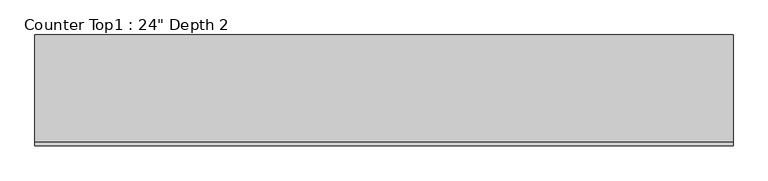
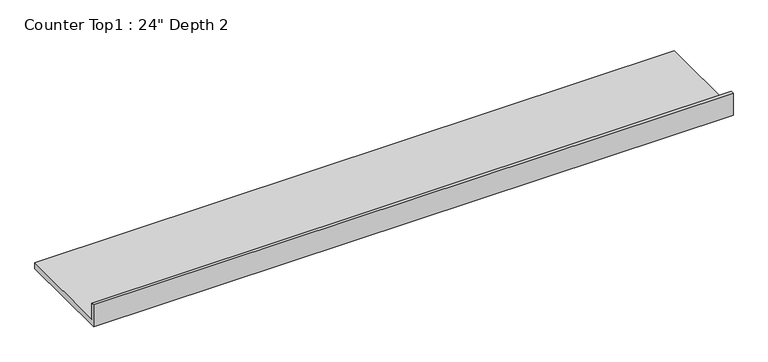
"""IFC4 building model written with IfcOpenShell, lengths in millimetres: furniture geometry."""

import ifcopenshell
import ifcopenshell.guid

model = None  # the IFC model being written
_history = None  # IfcOwnerHistory: only IFC2X3 demands one
_inside = {}  # id of a spatial element -> (the spatial element, [elements in it])
_under = {}  # id of a project, library or spatial element -> (it, [spatial elements below it])
_declared = {}  # id of a project -> (the project, [libraries it declares])
_typed = {}  # id of a type object -> (the type object, [elements of that type])
_made_of = {}  # id of a material, layer set ... -> (it, [elements and type objects made of it])


def new_model(schema):
    """Start an empty IFC model of exactly this schema.

    Asked for "IFC4X3", IfcOpenShell would pick the latest addendum, in which some entities
    have other attributes; the version numbers below select the first issue.
    IFC2X3 requires an IfcOwnerHistory on every rooted entity: one is made here for all.
    """
    global model, _history
    if schema == "IFC4X3":
        model = ifcopenshell.file(schema_version=(4, 3, 0, 0))
    else:
        model = ifcopenshell.file(schema=schema)
    _inside.clear()
    _under.clear()
    _declared.clear()
    _typed.clear()
    _made_of.clear()
    _history = None
    if model.schema == "IFC2X3":
        org = make("IfcOrganization", Name="unknown")
        user = make(
            "IfcPersonAndOrganization",
            ThePerson=make("IfcPerson", FamilyName="unknown"),
            TheOrganization=org,
        )
        app = make(
            "IfcApplication",
            ApplicationDeveloper=org,
            Version="unknown",
            ApplicationFullName="unknown",
            ApplicationIdentifier="unknown",
        )
        _history = make(
            "IfcOwnerHistory",
            OwningUser=user,
            OwningApplication=app,
            ChangeAction="ADDED",
            CreationDate=0,
        )
    return model


def make(cls, **values):
    """One entity of the class cls with the attributes given. An attribute that is None is left unset."""
    return model.create_entity(
        cls, **{name: value for name, value in values.items() if value is not None}
    )


def rooted(cls, **values):
    """An entity with a GlobalId (a new one), such as an element, a storey or a relation."""
    return make(cls, GlobalId=ifcopenshell.guid.new(), OwnerHistory=_history, **values)


def si_unit(unit_type, name, prefix=None):
    """IfcSIUnit, for example si_unit("LENGTHUNIT", "METRE", prefix="MILLI")."""
    return make("IfcSIUnit", UnitType=unit_type, Prefix=prefix, Name=name)


def assignment(units):
    """IfcUnitAssignment: the units of a project."""
    return None if units is None else make("IfcUnitAssignment", Units=units)


def point(xyz):
    """IfcCartesianPoint."""
    return None if xyz is None else make("IfcCartesianPoint", Coordinates=xyz)


def direction(xyz):
    """IfcDirection."""
    return None if xyz is None else make("IfcDirection", DirectionRatios=xyz)


def frame(location, z_axis=None, x_axis=None):
    """IfcAxis2Placement3D, a coordinate frame: its origin and axes. An axis left out is left unset."""
    return make(
        "IfcAxis2Placement3D",
        Location=point(location),
        Axis=direction(z_axis),
        RefDirection=direction(x_axis),
    )


def origin():
    """The frame at (0, 0, 0) with its axes left unset."""
    return frame((0.0, 0.0, 0.0))


def place(relative_to, where):
    """IfcLocalPlacement: puts the frame where relative to a parent placement (None: the world)."""
    return make(
        "IfcLocalPlacement", PlacementRelTo=relative_to, RelativePlacement=where
    )


def context(
    kind, dimensions, precision=None, world=None, true_north=None, identifier=None
):
    """IfcGeometricRepresentationContext, for example the 3D "Model" context."""
    return make(
        "IfcGeometricRepresentationContext",
        ContextIdentifier=identifier,
        ContextType=kind,
        CoordinateSpaceDimension=dimensions,
        Precision=precision,
        WorldCoordinateSystem=world,
        TrueNorth=true_north,
    )


def project(units=None, contexts=None):
    """IfcProject with its units and contexts."""
    return rooted(
        "IfcProject",
        Name="project",
        RepresentationContexts=contexts,
        UnitsInContext=assignment(units),
    )


def spatial(cls, under=None, at=None, **own):
    """A site, building, storey or space (cls), placed at a placement, below another one or the project."""
    s = rooted(cls, ObjectPlacement=at, **own)
    if under is not None:
        _under.setdefault(under.id(), (under, []))[1].append(s)
    return s


def polyline(points):
    """IfcPolyline through the points."""
    return make("IfcPolyline", Points=[point(p) for p in points])


def outline(outer, holes=None, kind="AREA"):
    """IfcArbitraryClosedProfileDef: a profile drawn as a closed curve; with holes, ...WithVoids."""
    if holes is None:
        return make("IfcArbitraryClosedProfileDef", ProfileType=kind, OuterCurve=outer)
    return make(
        "IfcArbitraryProfileDefWithVoids",
        ProfileType=kind,
        OuterCurve=outer,
        InnerCurves=holes,
    )


def extrude(swept, where, along, depth):
    """IfcExtrudedAreaSolid: the profile swept, set in the frame where, extruded along a direction by depth."""
    return make(
        "IfcExtrudedAreaSolid",
        SweptArea=swept,
        Position=where,
        ExtrudedDirection=direction(along),
        Depth=depth,
    )


def shape(context_of_items, identifier, shape_type, items):
    """IfcShapeRepresentation: the items that make up one representation, for example the "Body"."""
    return make(
        "IfcShapeRepresentation",
        ContextOfItems=context_of_items,
        RepresentationIdentifier=identifier,
        RepresentationType=shape_type,
        Items=items,
    )


def source(mapping_origin, context_of_items, identifier, shape_type, items):
    """IfcRepresentationMap: a shape defined once, which mapped items show again and again."""
    return make(
        "IfcRepresentationMap",
        MappingOrigin=mapping_origin,
        MappedRepresentation=shape(context_of_items, identifier, shape_type, items),
    )


def transform(
    local_origin,
    x_axis=None,
    y_axis=None,
    z_axis=None,
    scale=None,
    scale2=None,
    scale3=None,
    uniform=True,
):
    """IfcCartesianTransformationOperator3D, or its non-uniform kind. x_axis, y_axis, z_axis: its Axis1, 2, 3."""
    if uniform:
        return make(
            "IfcCartesianTransformationOperator3D",
            Axis1=direction(x_axis),
            Axis2=direction(y_axis),
            LocalOrigin=point(local_origin),
            Scale=scale,
            Axis3=direction(z_axis),
        )
    return make(
        "IfcCartesianTransformationOperator3DnonUniform",
        Axis1=direction(x_axis),
        Axis2=direction(y_axis),
        LocalOrigin=point(local_origin),
        Scale=scale,
        Axis3=direction(z_axis),
        Scale2=scale2,
        Scale3=scale3,
    )


def mapped(mapping_source, mapping_target):
    """IfcMappedItem: shows the shape of a source again, moved by a transform."""
    return make(
        "IfcMappedItem", MappingSource=mapping_source, MappingTarget=mapping_target
    )


def made_of(thing, what):
    """Note that an element or type object is made of a material, layer set ...; save() writes the relation."""
    if what is not None:
        _made_of.setdefault(what.id(), (what, []))[1].append(thing)
    return thing


def element(
    cls,
    number,
    at=None,
    inside=None,
    cuts=None,
    type_object=None,
    material=None,
    context=None,
    identifier="Body",
    shape_type=None,
    held_by="IfcProductDefinitionShape",
    body=None,
    shapes=None,
    **own,
):
    """One element of the class cls, such as IfcWall. Its Tag is "e" and its number.

    at: its placement. inside: the storey or other place that contains it. cuts: it is an
    opening in that element (IfcRelVoidsElement). A single representation is given by context,
    identifier, shape_type and body (its items); several are given by shapes. held_by: the class
    of the entity that holds the representations. save() writes the other relations.
    """
    e = rooted(cls, Tag="e%d" % number, ObjectPlacement=at, **own)
    if body is not None:
        shapes = [shape(context, identifier, shape_type, body)]
    if shapes is not None:
        e.Representation = make(held_by, Representations=shapes)
    if inside is not None:
        _inside.setdefault(inside.id(), (inside, []))[1].append(e)
    if cuts is not None:
        rooted(
            "IfcRelVoidsElement", RelatingBuildingElement=cuts, RelatedOpeningElement=e
        )
    if type_object is not None:
        _typed.setdefault(type_object.id(), (type_object, []))[1].append(e)
    return made_of(e, material)


def aggregate(whole, parts):
    """IfcRelAggregates: a whole, such as a stair, and the parts it consists of."""
    return rooted("IfcRelAggregates", RelatingObject=whole, RelatedObjects=parts)


def save(model, path):
    """Write the relations noted so far, then the file.

    IfcRelAggregates (storeys below a building ...), IfcRelContainedInSpatialStructure (elements
    in a storey), IfcRelDefinesByType, IfcRelAssociatesMaterial and IfcRelDeclares: one each for
    every whole, place, type object, material and project.
    """
    for whole, parts in _under.values():
        aggregate(whole, parts)
    for where, things in _inside.values():
        rooted(
            "IfcRelContainedInSpatialStructure",
            RelatedElements=things,
            RelatingStructure=where,
        )
    for kind, things in _typed.values():
        rooted("IfcRelDefinesByType", RelatedObjects=things, RelatingType=kind)
    for what, things in _made_of.values():
        rooted("IfcRelAssociatesMaterial", RelatedObjects=things, RelatingMaterial=what)
    for by, libraries in _declared.values():
        rooted("IfcRelDeclares", RelatingContext=by, RelatedDefinitions=libraries)
    model.write(path)


def furniture_b784ae8e(model_context):
    return source(origin(), model_context, "Body", "SweptSolid", [
        extrude(outline(polyline([(0.0, 1016.0), (19.05, 1016.0), (19.05, 914.4), (609.6, 914.4), (609.6, 876.3), (0.0, 876.3), (0.0, 1016.0)])), frame((-1200.4622951, 0.0, 0.0), z_axis=(1.0, 0.0, 0.0), x_axis=(0.0, 1.0, 0.0)), (0.0, 0.0, 1.0), 3841.75),
    ])


if __name__ == "__main__":
    model = new_model("IFC4")
    model_context = context("Model", 3, world=origin())
    ifc_project = project(units=[si_unit("LENGTHUNIT", "METRE", prefix="MILLI")], contexts=[model_context])
    site = spatial("IfcSite", under=ifc_project)
    building = spatial("IfcBuilding", under=site)
    placement = place(None, origin())
    furniture_shape = furniture_b784ae8e(model_context)
    element("IfcFurniture", 1, ObjectType="Counter Top1 : 24\" Depth 2", at=placement, inside=building, context=model_context, shape_type="MappedRepresentation", body=[
        mapped(furniture_shape, transform((0.0, 0.0, 0.0), x_axis=(1.0, 0.0, 0.0), y_axis=(0.0, 1.0, 0.0), z_axis=(0.0, 0.0, 1.0))),
    ])
    save(model, "model.ifc")
